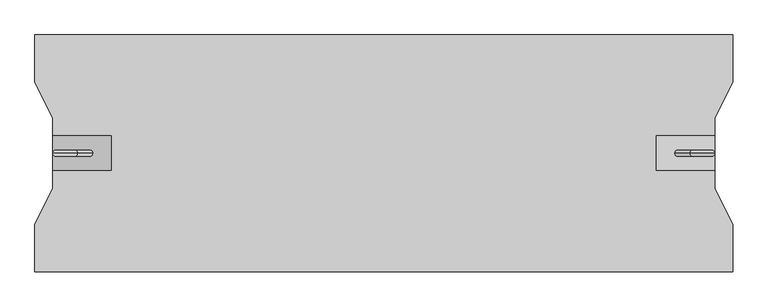
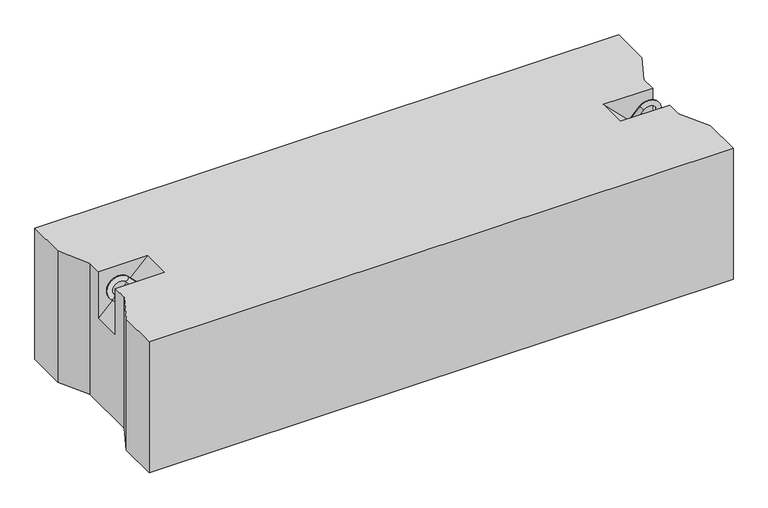
"""IFC4 building model written with IfcOpenShell, lengths in millimetres: proxy geometry."""

from ifc_helpers import new_model, si_unit, point, frame, origin, place, context, project, spatial, circle_curve, ellipse_curve, trimmed, faceted_brep, source, transform, mapped, element, save
from ifc_brep_helpers import plane_surface, cylinder_surface, revolved_surface, advanced_brep


def generic_models_713e2243(model_context):
    return source(origin(), model_context, "Body", "SolidModel", [
        advanced_brep(
        [(1082.3223305, 0.0, 247.6776695), (1089.3933983, 0.0, 240.6066017), (1114.3933983, 0.0, 265.6066017), (1107.3223305, 0.0, 272.6776695), (1135.6066017, 0.0, 244.3933983), (1142.6776695, 0.0, 237.3223305), (1117.6776695, 0.0, 212.3223305), (1110.6066017, 0.0, 219.3933983)],
        [
            (0, 1, circle_curve(frame((1085.8578644, 0.0, 244.1421356), z_axis=(-0.7071067811865482, 0.0, -0.7071067811865468), x_axis=(0.7071067811865468, 0.0, -0.7071067811865482)), 5.0)),
            (1, 0, circle_curve(frame((1085.8578644, 0.0, 244.1421356), z_axis=(-0.7071067811865482, 0.0, -0.7071067811865468), x_axis=(0.7071067811865468, 0.0, -0.7071067811865482)), 5.0)),
            (1, 2),
            (2, 3, circle_curve(frame((1110.8578644, 0.0, 269.1421356), z_axis=(-0.7071067811865482, 0.0, -0.7071067811865468), x_axis=(0.7071067811865468, 0.0, -0.7071067811865482)), 5.0)),
            (3, 0),
            (3, 2, circle_curve(frame((1110.8578644, 0.0, 269.1421356), z_axis=(-0.7071067811865482, 0.0, -0.7071067811865468), x_axis=(0.7071067811865468, 0.0, -0.7071067811865482)), 5.0)),
            (4, 5, circle_curve(frame((1139.1421356, 0.0, 240.8578644), z_axis=(0.7071067811865457, 0.0, 0.7071067811865493), x_axis=(-0.7071067811865493, 0.0, 0.7071067811865457)), 5.0)),
            (5, 3, circle_curve(frame((1125.0, 0.0, 255.0), z_axis=(0.0, -1.0, 0.0), x_axis=(-0.7071067811865468, 0.0, 0.7071067811865482)), 25.0)),
            (2, 4, circle_curve(frame((1125.0, 0.0, 255.0), z_axis=(0.0, 1.0, 0.0), x_axis=(-0.7071067811865468, 0.0, 0.7071067811865482)), 15.0)),
            (5, 4, circle_curve(frame((1139.1421356, 0.0, 240.8578644), z_axis=(0.7071067811865459, 0.0, 0.7071067811865491), x_axis=(-0.7071067811865491, 0.0, 0.7071067811865459)), 5.0)),
            (6, 7, circle_curve(frame((1114.1421356, 0.0, 215.8578644), z_axis=(-0.7071067811865505, 0.0, -0.7071067811865446), x_axis=(-0.7071067811865446, 0.0, 0.7071067811865505)), 5.0)),
            (7, 6, circle_curve(frame((1114.1421356, 0.0, 215.8578644), z_axis=(-0.7071067811865505, 0.0, -0.7071067811865446), x_axis=(-0.7071067811865446, 0.0, 0.7071067811865505)), 5.0)),
            (4, 7),
            (6, 5),
        ],
        [
            plane_surface(frame((1082.3223305, 0.0, 247.6776695), z_axis=(-0.7071067811865482, 0.0, -0.7071067811865468), x_axis=(0.0, -1.0, 0.0))),
            cylinder_surface(frame((1085.8578644, 0.0, 244.1421356), z_axis=(-0.7071067811865482, 0.0, -0.7071067811865468), x_axis=(0.7071067811865468, 0.0, -0.7071067811865482)), 5.0),
            revolved_surface(trimmed(ellipse_curve(frame((1110.8578644, 0.0, 269.1421356), z_axis=(0.7071067811865482, 0.0, 0.7071067811865468), x_axis=(0.7071067811865468, 0.0, -0.7071067811865482)), 5.0, 5.0), [point((1107.3223305, 0.0, 272.6776695))], [point((1114.3933983, 0.0, 265.6066017))], True, "CARTESIAN"), (1125.0, 0.0, 255.0), (0.0, -1.0, 0.0)),
            revolved_surface(trimmed(ellipse_curve(frame((1110.8578644, 0.0, 269.1421356), z_axis=(0.7071067811865482, 0.0, 0.7071067811865468), x_axis=(0.7071067811865468, 0.0, -0.7071067811865482)), 5.0, 5.0), [point((1114.3933983, 0.0, 265.6066017))], [point((1107.3223305, 0.0, 272.6776695))], True, "CARTESIAN"), (1125.0, 0.0, 255.0), (0.0, -1.0, 0.0)),
            plane_surface(frame((1117.6776695, 0.0, 212.3223305), z_axis=(-0.7071067811865505, 0.0, -0.7071067811865446), x_axis=(0.0, -1.0, 0.0))),
            cylinder_surface(frame((1139.1421356, 0.0, 240.8578644), z_axis=(0.7071067811865505, 0.0, 0.7071067811865446), x_axis=(-0.7071067811865446, 0.0, 0.7071067811865505)), 5.0),
        ],
        [
            (0, [[1, 2]]),
            (1, [[3, 4, 5, -2]]),
            (1, [[-5, 6, -3, -1]]),
            (2, [[7, 8, -4, 9]]),
            (3, [[10, -9, -6, -8]]),
            (4, [[11, 12]]),
            (5, [[13, -11, 14, -7]]),
            (5, [[-14, -12, -13, -10]]),
        ],
    ),
        advanced_brep(
        [(97.6776695, 0.0, 247.6776695), (90.6066017, 0.0, 240.6066017), (72.6776695, 0.0, 272.6776695), (65.6066017, 0.0, 265.6066017), (44.3933983, 0.0, 244.3933983), (37.3223305, 0.0, 237.3223305), (62.3223305, 0.0, 212.3223305), (69.3933983, 0.0, 219.3933983)],
        [
            (0, 1, circle_curve(frame((94.1421356, 0.0, 244.1421356), z_axis=(0.707106781186546, 0.0, -0.707106781186549), x_axis=(-0.707106781186549, 0.0, -0.707106781186546)), 5.0)),
            (1, 0, circle_curve(frame((94.1421356, 0.0, 244.1421356), z_axis=(0.707106781186546, 0.0, -0.707106781186549), x_axis=(-0.707106781186549, 0.0, -0.707106781186546)), 5.0)),
            (0, 2),
            (2, 3, circle_curve(frame((69.1421356, 0.0, 269.1421356), z_axis=(0.707106781186546, 0.0, -0.707106781186549), x_axis=(-0.707106781186549, 0.0, -0.707106781186546)), 5.0)),
            (3, 1),
            (3, 2, circle_curve(frame((69.1421356, 0.0, 269.1421356), z_axis=(0.707106781186546, 0.0, -0.707106781186549), x_axis=(-0.707106781186549, 0.0, -0.707106781186546)), 5.0)),
            (4, 3, circle_curve(frame((55.0, 0.0, 255.0), z_axis=(0.0, 1.0, 0.0), x_axis=(0.707106781186549, 0.0, 0.707106781186546)), 15.0)),
            (2, 5, circle_curve(frame((55.0, 0.0, 255.0), z_axis=(0.0, -1.0, 0.0), x_axis=(0.707106781186549, 0.0, 0.707106781186546)), 25.0)),
            (5, 4, circle_curve(frame((40.8578644, 0.0, 240.8578644), z_axis=(-0.7071067811865437, 0.0, 0.7071067811865513), x_axis=(0.7071067811865513, 0.0, 0.7071067811865437)), 5.0)),
            (4, 5, circle_curve(frame((40.8578644, 0.0, 240.8578644), z_axis=(-0.7071067811865437, 0.0, 0.7071067811865513), x_axis=(0.7071067811865513, 0.0, 0.7071067811865437)), 5.0)),
            (6, 7, circle_curve(frame((65.8578644, 0.0, 215.8578644), z_axis=(0.7071067811865482, 0.0, -0.7071067811865468), x_axis=(0.7071067811865468, 0.0, 0.7071067811865482)), 5.0)),
            (7, 6, circle_curve(frame((65.8578644, 0.0, 215.8578644), z_axis=(0.7071067811865482, 0.0, -0.7071067811865468), x_axis=(0.7071067811865468, 0.0, 0.7071067811865482)), 5.0)),
            (5, 6),
            (7, 4),
        ],
        [
            plane_surface(frame((97.6776695, 0.0, 247.6776695), z_axis=(0.707106781186546, 0.0, -0.707106781186549), x_axis=(0.0, -1.0, 0.0))),
            cylinder_surface(frame((94.1421356, 0.0, 244.1421356), z_axis=(0.707106781186546, 0.0, -0.707106781186549), x_axis=(-0.707106781186549, 0.0, -0.707106781186546)), 5.0),
            revolved_surface(trimmed(ellipse_curve(frame((69.1421356, 0.0, 269.1421356), z_axis=(0.707106781186546, 0.0, -0.707106781186549), x_axis=(-0.707106781186549, 0.0, -0.707106781186546)), 5.0, 5.0), [point((72.6776695, 0.0, 272.6776695))], [point((65.6066017, 0.0, 265.6066017))], True, "CARTESIAN"), (55.0, 0.0, 255.0), (0.0, -1.0, 0.0)),
            revolved_surface(trimmed(ellipse_curve(frame((69.1421356, 0.0, 269.1421356), z_axis=(0.707106781186546, 0.0, -0.707106781186549), x_axis=(-0.707106781186549, 0.0, -0.707106781186546)), 5.0, 5.0), [point((65.6066017, 0.0, 265.6066017))], [point((72.6776695, 0.0, 272.6776695))], True, "CARTESIAN"), (55.0, 0.0, 255.0), (0.0, -1.0, 0.0)),
            plane_surface(frame((62.3223305, 0.0, 212.3223305), z_axis=(0.7071067811865482, 0.0, -0.7071067811865468), x_axis=(0.0, -1.0, 0.0))),
            cylinder_surface(frame((40.8578644, 0.0, 240.8578644), z_axis=(-0.7071067811865482, 0.0, 0.7071067811865468), x_axis=(0.7071067811865468, 0.0, 0.7071067811865482)), 5.0),
        ],
        [
            (0, [[1, 2]]),
            (1, [[-1, 3, 4, 5]]),
            (1, [[-2, -5, 6, -3]]),
            (2, [[7, -4, 8, 9]]),
            (3, [[-8, -6, -7, 10]]),
            (4, [[11, 12]]),
            (5, [[-9, 13, -12, 14]]),
            (5, [[-10, -14, -11, -13]]),
        ],
    ),
        faceted_brep([(1180.0, 200.0, 280.0), (0.0, 200.0, 280.0), (0.0, 120.0, 280.0), (30.0, 60.0, 280.0), (30.0, 30.0, 280.0), (130.0, 30.0, 280.0), (130.0, -30.0, 280.0), (30.0, -30.0, 280.0), (30.0, -60.0, 280.0), (0.0, -120.0, 280.0), (0.0, -200.0, 280.0), (1180.0, -200.0, 280.0), (1180.0, -120.0, 280.0), (1150.0, -60.0, 280.0), (1150.0, -30.0, 280.0), (1050.0, -30.0, 280.0), (1050.0, 30.0, 280.0), (1150.0, 30.0, 280.0), (1150.0, 60.0, 280.0), (1180.0, 120.0, 280.0), (1180.0, 200.0, 0.0), (1180.0, 120.0, 0.0), (1150.0, 60.0, 0.0), (1150.0, -60.0, 0.0), (1180.0, -120.0, 0.0), (1180.0, -200.0, 0.0), (0.0, -200.0, 0.0), (0.0, -120.0, 0.0), (30.0, -60.0, 0.0), (30.0, 60.0, 0.0), (0.0, 120.0, 0.0), (0.0, 200.0, 0.0), (30.0, -30.0, 180.0), (30.0, 30.0, 180.0), (1150.0, 30.0, 180.0), (1150.0, -30.0, 180.0)], [[[0, 1, 2, 3, 4, 5, 6, 7, 8, 9, 10, 11, 12, 13, 14, 15, 16, 17, 18, 19]], [[20, 21, 22, 23, 24, 25, 26, 27, 28, 29, 30, 31]], [[1, 0, 20, 31]], [[10, 9, 27, 26]], [[11, 10, 26, 25]], [[0, 19, 21, 20]], [[2, 1, 31, 30]], [[3, 2, 30, 29]], [[29, 28, 8, 7, 32, 33, 4, 3]], [[9, 8, 28, 27]], [[12, 11, 25, 24]], [[13, 12, 24, 23]], [[23, 22, 18, 17, 34, 35, 14, 13]], [[19, 18, 22, 21]], [[6, 32, 7]], [[35, 15, 14]], [[33, 5, 4]], [[16, 34, 17]], [[32, 6, 5, 33]], [[15, 35, 34, 16]]]),
    ])


if __name__ == "__main__":
    model = new_model("IFC4")
    model_context = context("Model", 3, world=origin())
    ifc_project = project(units=[si_unit("LENGTHUNIT", "METRE", prefix="MILLI")], contexts=[model_context])
    site = spatial("IfcSite", under=ifc_project)
    building = spatial("IfcBuilding", under=site)
    placement = place(None, origin())
    generic_models_shape = generic_models_713e2243(model_context)
    element("IfcBuildingElementProxy", 1, Name="Generic Models", at=placement, inside=building, context=model_context, shape_type="MappedRepresentation", body=[
        mapped(generic_models_shape, transform((0.0, 0.0, 0.0), x_axis=(1.0, 0.0, 0.0), y_axis=(0.0, 1.0, 0.0), z_axis=(0.0, 0.0, 1.0))),
    ])
    save(model, "model.ifc")
